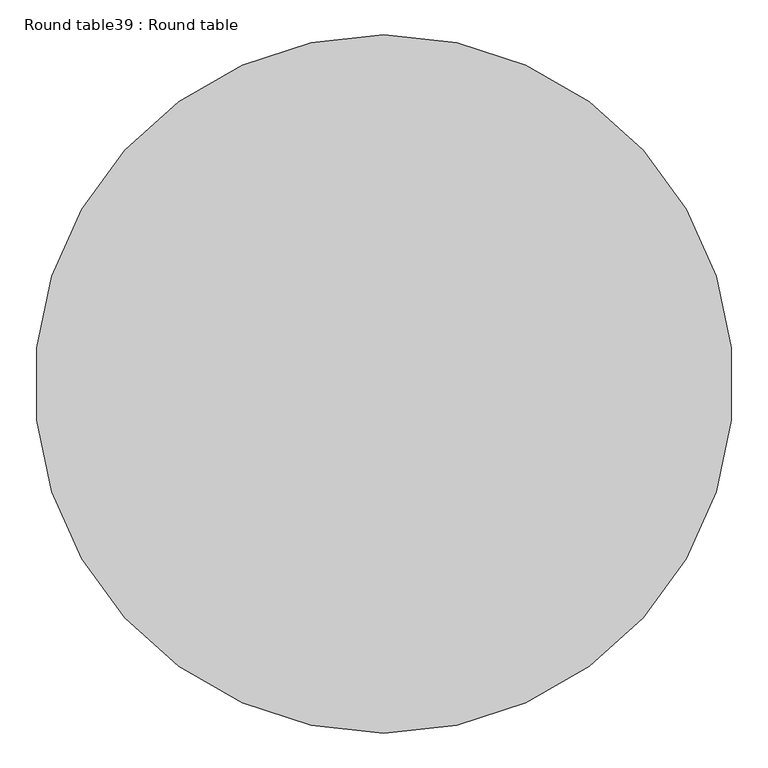
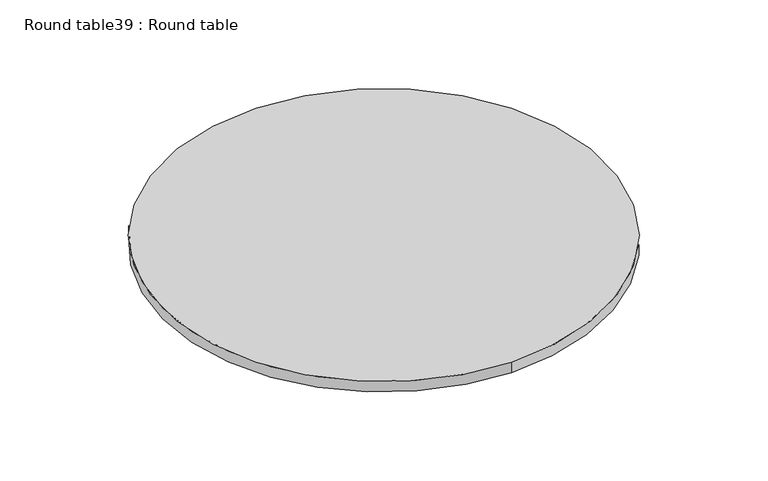
"""IFC4 building model written with IfcOpenShell, lengths in millimetres: furniture geometry, Round table39 : Round table."""

from ifc_helpers import new_model, si_unit, point, frame, frame_2d, origin, place, context, project, spatial, circle_curve, trimmed, segment, composite_curve, outline, extrude, source, transform, mapped, element, save


def round_table39_round_table_6ba271b4(model_context):
    return source(origin(), model_context, "Body", "SweptSolid", [
        extrude(outline(composite_curve([segment(trimmed(circle_curve(frame_2d((-120970.9029241, -65725.464948)), 508.0), [point((-120970.9029241, -65217.464948))], [point((-120970.9029241, -66233.464948))], False, "CARTESIAN"), True, "CONTINUOUS"), segment(trimmed(circle_curve(frame_2d((-120970.9029241, -65725.464948)), 508.0), [point((-120970.9029241, -66233.464948))], [point((-120970.9029241, -65217.464948))], False, "CARTESIAN"), True, "CONTINUOUS")], self_intersect=False)), frame((0.0, 0.0, 762.0), z_axis=(0.0, 0.0, 1.0), x_axis=(1.0, 0.0, 0.0)), (0.0, 0.0, 1.0), 25.4),
    ])


if __name__ == "__main__":
    model = new_model("IFC4")
    model_context = context("Model", 3, world=origin())
    ifc_project = project(units=[si_unit("LENGTHUNIT", "METRE", prefix="MILLI")], contexts=[model_context])
    site = spatial("IfcSite", under=ifc_project)
    building = spatial("IfcBuilding", under=site)
    placement = place(None, origin())
    round_table39_round_table_shape = round_table39_round_table_6ba271b4(model_context)
    element("IfcFurniture", 1, ObjectType="Round table39 : Round table", at=placement, inside=building, context=model_context, shape_type="MappedRepresentation", body=[
        mapped(round_table39_round_table_shape, transform((0.0, 0.0, 0.0), x_axis=(1.0, 0.0, 0.0), y_axis=(0.0, 1.0, 0.0), z_axis=(0.0, 0.0, 1.0))),
    ])
    save(model, "model.ifc")
